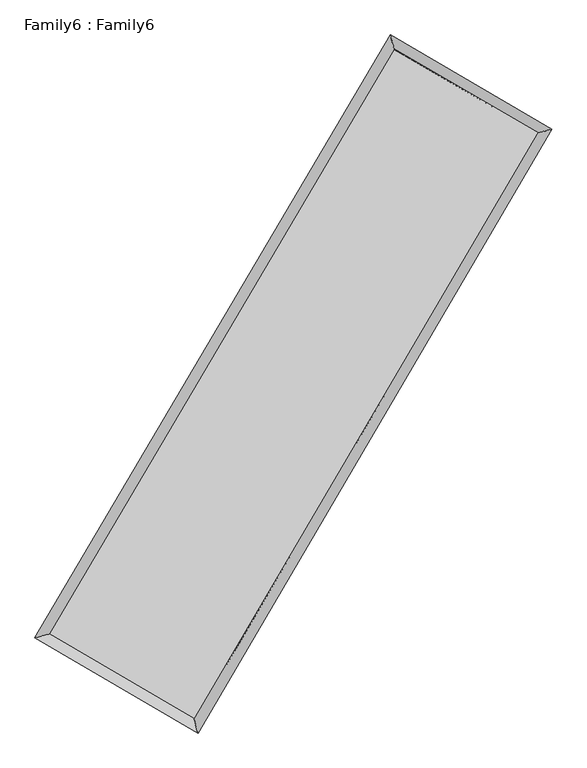
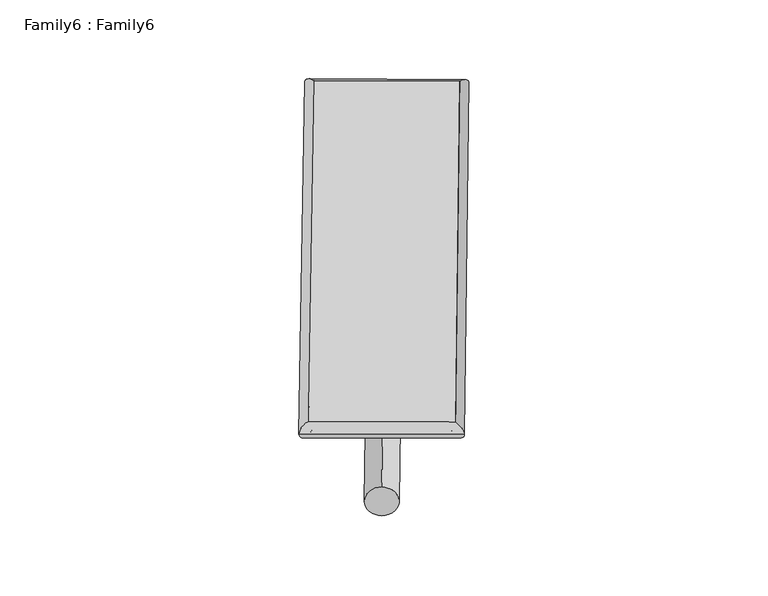
"""IFC4 building model written with IfcOpenShell, lengths in millimetres: plate geometry, Family6 : Family6."""

from ifc_helpers import new_model, si_unit, point, frame, origin, origin_2d, place, context, project, spatial, circle_curve, ellipse_curve, trimmed, segment, composite_curve, outline, extrude, source, transform, mapped, element, save
from ifc_brep_helpers import plane_surface, cylinder_surface, spline_surface, advanced_brep


def family6_family6_8de9eaca(model_context):
    return source(origin(), model_context, "Body", "SolidModel", [
        extrude(outline(composite_curve([segment(trimmed(circle_curve(origin_2d(), 76.2), [point((-75.4341515, -10.7763074))], [point((75.4341515, 10.7763074))], False, "CARTESIAN"), True, "CONTINUOUS"), segment(trimmed(circle_curve(origin_2d(), 76.2), [point((75.4341515, 10.7763074))], [point((-75.4341515, -10.7763074))], False, "CARTESIAN"), True, "CONTINUOUS")], self_intersect=False)), frame((9144.0, 9144.0, 0.0), z_axis=(0.6717644268206059, 0.6886936045006283, 0.27282535435387073), x_axis=(-0.6806158315801668, 0.7192077320739821, -0.13965073550625298)), (0.0, 0.0, 1.0), 5573.488726),
        extrude(outline(composite_curve([segment(trimmed(circle_curve(origin_2d(), 76.2), [point((-53.8815367, 53.8815368))], [point((53.8815367, -53.8815368))], False, "CARTESIAN"), True, "CONTINUOUS"), segment(trimmed(circle_curve(origin_2d(), 76.2), [point((53.8815367, -53.8815368))], [point((-53.8815367, 53.8815368))], False, "CARTESIAN"), True, "CONTINUOUS")], self_intersect=False)), frame((9144.0, 9144.0, 0.0), z_axis=(-0.6734268121957142, -0.6870945676917926, 0.2727588379216097), x_axis=(0.6411245917403378, -0.3591359145903489, 0.6782187351563941)), (0.0, 0.0, 1.0), 5575.1555886),
        extrude(outline(composite_curve([segment(trimmed(circle_curve(origin_2d(), 76.2), [point((-53.8815367, -53.8815368))], [point((53.8815367, 53.8815368))], False, "CARTESIAN"), True, "CONTINUOUS"), segment(trimmed(circle_curve(origin_2d(), 76.2), [point((53.8815367, 53.8815368))], [point((-53.8815367, -53.8815368))], False, "CARTESIAN"), True, "CONTINUOUS")], self_intersect=False)), frame((9144.0, 9144.0, 0.0), z_axis=(0.2755241398275551, 0.9214489100258534, 0.27389478743570983), x_axis=(-0.839742514389793, 0.36938864358793233, -0.39797555140306773)), (0.0, 0.0, 1.0), 5564.9680763),
        extrude(outline(composite_curve([segment(trimmed(circle_curve(origin_2d(), 76.2), [point((-75.4341514, 10.7763073))], [point((75.4341514, -10.7763073))], False, "CARTESIAN"), True, "CONTINUOUS"), segment(trimmed(circle_curve(origin_2d(), 76.2), [point((75.4341514, -10.7763073))], [point((-75.4341514, 10.7763073))], False, "CARTESIAN"), True, "CONTINUOUS")], self_intersect=False)), frame((9144.0, 9144.0, 0.0), z_axis=(-0.2734213654447041, -0.9221330937919476, 0.27369931357613014), x_axis=(0.8788169214900651, -0.12380157202284665, 0.46081882477541725)), (0.0, 0.0, 1.0), 5569.3074855),
        advanced_brep(
        [(5180.5149484, 5259.0268714, 1520.960701), (5598.5669854, 5367.6555135, 1521.0336423), (5598.5665405, 5367.6548907, 1520.3852182), (10731.4629453, 14063.8078691, 1523.8242602), (10623.1031395, 14479.8596673, 1524.6072365), (5180.5145035, 5259.0262486, 1520.3122769), (12679.286174, 12927.7704699, 1520.6289326), (13096.8567449, 13037.0816109, 1520.5491408), (7566.8125602, 4216.7221843, 1524.2463091), (7675.6521253, 3799.992332, 1524.3849626)],
        [
            (0, 1, ellipse_curve(frame((5389.5407445, 5313.340881, 1520.6729596), z_axis=(-0.251492940351836, 0.9678588367124077, -0.0007570672974082376), x_axis=(-0.9678581413455613, -0.2514937254032641, -0.0012346310797933886)), 215.9680248, 152.4)),
            (1, 2, ellipse_curve(frame((5389.5407445, 5313.340881, 1520.6729596), z_axis=(-0.251492940351836, 0.9678588367124077, -0.0007570672974082376), x_axis=(-0.9678581413455613, -0.2514937254032641, -0.0012346310797933886)), 215.9680248, 152.4)),
            (2, 3),
            (3, 4, ellipse_curve(frame((10677.2830424, 14271.8337682, 1524.2157483), z_axis=(-0.9677162419274156, -0.25204106551039457, 0.0007592142417456652), x_axis=(0.2520400269734971, -0.9677160079717784, -0.0012460812028492196)), 214.9660554, 152.4)),
            (4, 0),
            (2, 5, ellipse_curve(frame((5389.5407445, 5313.340881, 1520.6729596), z_axis=(-0.251492940351836, 0.9678588367124077, -0.0007570672974082376), x_axis=(-0.9678581413455613, -0.2514937254032641, -0.0012346310797933886)), 215.9680248, 152.4)),
            (5, 0, ellipse_curve(frame((5389.5407445, 5313.340881, 1520.6729596), z_axis=(-0.251492940351836, 0.9678588367124077, -0.0007570672974082376), x_axis=(-0.9678581413455613, -0.2514937254032641, -0.0012346310797933886)), 215.9680248, 152.4)),
            (4, 3, ellipse_curve(frame((10677.2830424, 14271.8337682, 1524.2157483), z_axis=(-0.9677162419274156, -0.25204106551039457, 0.0007592142417456652), x_axis=(0.2520400269734971, -0.9677160079717784, -0.0012460812028492196)), 214.9660554, 152.4)),
            (3, 6),
            (6, 7, ellipse_curve(frame((12888.0714594, 12982.4260404, 1520.5890367), z_axis=(-0.25324519026615333, 0.9674018355481079, 0.0007497901117086947), x_axis=(-0.9674011093797119, -0.25324597173620533, 0.001253543093638271)), 215.820717, 152.4)),
            (7, 4),
            (7, 6, ellipse_curve(frame((12888.0714594, 12982.4260404, 1520.5890367), z_axis=(-0.25324519026615333, 0.9674018355481079, 0.0007497901117086947), x_axis=(-0.9674011093797119, -0.25324597173620533, 0.001253543093638271)), 215.820717, 152.4)),
            (6, 8),
            (8, 9, ellipse_curve(frame((7621.2323427, 4008.3572582, 1524.3156359), z_axis=(0.9675446423479862, 0.25269905768893924, 0.0007425003903455116), x_axis=(-0.25269803132579366, 0.9675443871077258, -0.001250576028615051)), 215.3543588, 152.4)),
            (9, 7),
            (9, 8, ellipse_curve(frame((7621.2323427, 4008.3572582, 1524.3156359), z_axis=(0.9675446423479862, 0.25269905768893924, 0.0007425003903455116), x_axis=(-0.25269803132579366, 0.9675443871077258, -0.001250576028615051)), 215.3543588, 152.4)),
            (8, 1),
            (5, 9),
        ],
        [
            cylinder_surface(frame((5389.5407445, 5313.340881, 1520.6729596), z_axis=(-0.508307945872246, -0.8611753109429139, -0.00034056645982098765), x_axis=(-0.8611736056082719, 0.5083060573982202, 0.0022300259921983574)), 152.4),
            cylinder_surface(frame((10677.2830424, 14271.8337682, 1524.2157483), z_axis=(-0.8638152481551601, 0.5038067179084564, 0.0014170550266144068), x_axis=(0.5038083041583287, 0.8638147075938336, 0.0011591400643607122)), 152.4),
            cylinder_surface(frame((12888.0714594, 12982.4260404, 1520.5890367), z_axis=(0.5061612885354481, 0.8624387640433522, -0.00035813895379783437), x_axis=(0.8624388329119307, -0.5061612885354481, 9.733263601939581e-05)), 152.4),
            cylinder_surface(frame((7621.2323427, 4008.3572582, 1524.3156359), z_axis=(0.8632449709557505, -0.5047832552215673, 0.0014090307036051842), x_axis=(-0.5047823698112123, -0.8632461138330655, -0.000951882286247191)), 152.4),
        ],
        [
            (0, [[1, 2, 3, 4, 5]]),
            (0, [[6, 7, -5, 8, -3]]),
            (1, [[-4, 9, 10, 11]]),
            (1, [[-8, -11, 12, -9]]),
            (2, [[-10, 13, 14, 15]]),
            (2, [[-12, -15, 16, -13]]),
            (3, [[-14, 17, -1, -7, 18]]),
            (3, [[-16, -18, -6, -2, -17]]),
        ],
    ),
        extrude(outline(composite_curve([segment(trimmed(circle_curve(origin_2d(), 304.8), [point((0.0, -304.8))], [point((0.0, 304.8))], False, "CARTESIAN"), True, "CONTINUOUS"), segment(trimmed(circle_curve(origin_2d(), 304.8), [point((0.0, 304.8))], [point((0.0, -304.8))], False, "CARTESIAN"), True, "CONTINUOUS")], self_intersect=False)), frame((6495.7577967, 4640.157401, -5.08e-05), z_axis=(0.5068669783717629, 0.8620242840177293, 9.716265548262102e-09), x_axis=(-0.8620242840177293, 0.5068669783717629, 2.6448925514971315e-09)), (0.0, 0.0, 1.0), 10449.4564308),
        advanced_brep(
        [(5389.5407445, 5313.340881, 1520.6729596), (7621.2323427, 4008.3572582, 1524.3156359), (7621.231683, 4008.3592172, 1676.7156359), (5389.5400847, 5313.3428401, 1673.0729596), (12888.0714594, 12982.4260404, 1520.5890367), (12888.0707997, 12982.4279994, 1672.9890367), (10677.2830424, 14271.8337682, 1524.2157483), (10677.2823826, 14271.8357273, 1676.6157483)],
        [
            (0, 1),
            (1, 2),
            (2, 3),
            (3, 0),
            (1, 4),
            (4, 5),
            (5, 2),
            (4, 6),
            (6, 7),
            (7, 5),
            (6, 0),
            (3, 7),
        ],
        [
            plane_surface(frame((6505.3865436, 4660.8490696, 1522.4942977), z_axis=(-0.504783767131887, -0.8632458215136205, 8.911543917815095e-06), x_axis=(0.8632449709557506, -0.5047832552215671, 0.0014090307036051849))),
            plane_surface(frame((10254.6519011, 8495.3916493, 1522.4523363), z_axis=(0.8624388211641486, -0.5061613178070139, 1.024016730384375e-05), x_axis=(0.506161288535448, 0.8624387640433522, -0.00035813895379783355))),
            plane_surface(frame((11782.6772509, 13627.1299043, 1522.4023925), z_axis=(0.503807212799871, 0.8638161217824104, -8.923102603303657e-06), x_axis=(-0.8638152481551602, 0.5038067179084562, 0.001417055026614407))),
            plane_surface(frame((8033.4118934, 9792.5873246, 1522.444354), z_axis=(-0.8611753590629687, 0.508307978333463, -1.0262292412524537e-05), x_axis=(-0.5083079458722458, -0.8611753109429138, -0.0003405664598209879))),
            spline_surface(1, 1, [[(7621.231683, 4008.3592172, 1676.7156359), (5389.5400847, 5313.3428401, 1673.0729596)], [(12888.0707997, 12982.4279994, 1672.9890367), (10677.2823826, 14271.8357273, 1676.6157483)]], [2, 2], [2, 2], [0.0, 1.0], [0.0, 1.0]),
            spline_surface(1, 1, [[(10677.2830424, 14271.8337682, 1524.2157483), (5389.5407445, 5313.340881, 1520.6729596)], [(12888.0714594, 12982.4260404, 1520.5890367), (7621.2323427, 4008.3572582, 1524.3156359)]], [2, 2], [2, 2], [0.0, 1.0], [0.0, 1.0]),
        ],
        [
            (0, [[1, 2, 3, 4]]),
            (1, [[5, 6, 7, -2]]),
            (2, [[8, 9, 10, -6]]),
            (3, [[11, -4, 12, -9]]),
            (4, [[-3, -7, -10, -12]]),
            (5, [[-11, -8, -5, -1]]),
        ],
    ),
    ])


if __name__ == "__main__":
    model = new_model("IFC4")
    model_context = context("Model", 3, world=origin())
    ifc_project = project(units=[si_unit("LENGTHUNIT", "METRE", prefix="MILLI")], contexts=[model_context])
    site = spatial("IfcSite", under=ifc_project)
    building = spatial("IfcBuilding", under=site)
    placement = place(None, origin())
    family6_family6_shape = family6_family6_8de9eaca(model_context)
    element("IfcPlate", 1, ObjectType="Family6 : Family6", at=placement, inside=building, context=model_context, shape_type="MappedRepresentation", body=[
        mapped(family6_family6_shape, transform((0.0, 0.0, 0.0), x_axis=(1.0, 0.0, 0.0), y_axis=(0.0, 1.0, 0.0), z_axis=(0.0, 0.0, 1.0))),
    ])
    save(model, "model.ifc")
